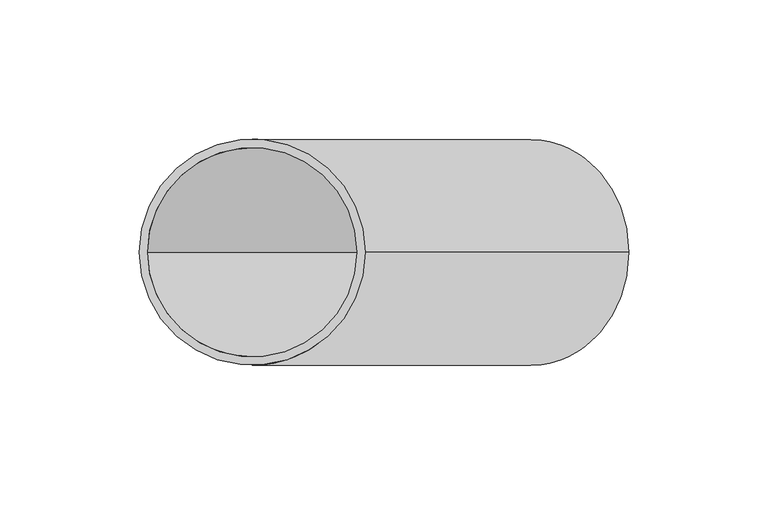
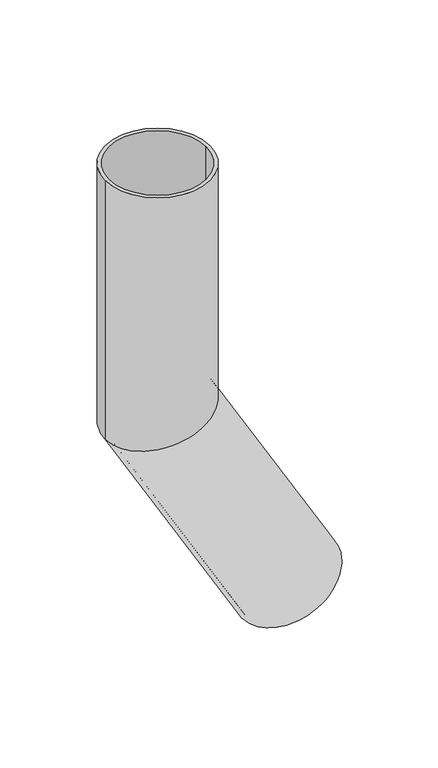
"""IFC4 building model written with IfcOpenShell, lengths in millimetres: beam geometry."""

from ifc_helpers import new_model, si_unit, frame, origin, place, context, project, spatial, polyline, circle_curve, ellipse_curve, source, transform, mapped, element, save
from ifc_brep_helpers import plane_surface, cylinder_surface, revolved_surface, advanced_brep


def beam_ef1a224b(model_context):
    return source(origin(), model_context, "Body", "AdvancedBrep", [
        advanced_brep(
        [(135.0740289, 0.0, -352.9550808), (64.9259711, 0.0, -393.4550808), (132.4759526, 0.0, -354.4550808), (67.5240474, 0.0, -391.9550808), (40.5, 0.0, 0.0), (-40.5, 0.0, 0.0), (37.5, 0.0, 0.0), (-37.5, 0.0, 0.0), (37.5, 0.0, -189.9519053), (0.0, -37.5, -200.0), (-37.5, 0.0, -210.0480947), (0.0, 37.5, -200.0), (40.5, 0.0, -189.1480577), (-40.5, 0.0, -210.8519423)],
        [
            (0, 1, circle_curve(frame((100.0, 0.0, -373.2050808), z_axis=(0.5000000000000633, 0.0, -0.8660254037844022), x_axis=(-0.8660254037844022, 0.0, -0.5000000000000633)), 40.5)),
            (1, 0, circle_curve(frame((100.0, 0.0, -373.2050808), z_axis=(0.5000000000000633, 0.0, -0.8660254037844022), x_axis=(-0.8660254037844022, 0.0, -0.5000000000000633)), 40.5)),
            (2, 3, circle_curve(frame((100.0, 0.0, -373.2050808), z_axis=(-0.5000000000000633, 0.0, 0.8660254037844022), x_axis=(-0.8660254037844022, 0.0, -0.5000000000000633)), 37.5)),
            (3, 2, circle_curve(frame((100.0, 0.0, -373.2050808), z_axis=(-0.5000000000000633, 0.0, 0.8660254037844022), x_axis=(-0.8660254037844022, 0.0, -0.5000000000000633)), 37.5)),
            (4, 5, circle_curve(frame((0.0, 0.0, 0.0), z_axis=(0.0, 0.0, 1.0), x_axis=(-1.0, 0.0, 0.0)), 40.5)),
            (5, 4, circle_curve(frame((0.0, 0.0, 0.0), z_axis=(0.0, 0.0, 1.0), x_axis=(-1.0, 0.0, 0.0)), 40.5)),
            (6, 7, circle_curve(frame((0.0, 0.0, 0.0), z_axis=(0.0, 0.0, -1.0), x_axis=(-1.0, 0.0, 0.0)), 37.5)),
            (7, 6, circle_curve(frame((0.0, 0.0, 0.0), z_axis=(0.0, 0.0, -1.0), x_axis=(-1.0, 0.0, 0.0)), 37.5)),
            (6, 8),
            (8, 9, ellipse_curve(frame((0.0, 0.0, -200.0), z_axis=(0.25881904510255604, 0.0, -0.9659258262890589), x_axis=(0.9659258262890589, 0.0, 0.25881904510255593)), 38.8228568, 37.5)),
            (9, 10, ellipse_curve(frame((0.0, 0.0, -200.0), z_axis=(0.25881904510255604, 0.0, -0.9659258262890589), x_axis=(0.9659258262890589, 0.0, 0.25881904510255593)), 38.8228568, 37.5)),
            (10, 7),
            (10, 11, ellipse_curve(frame((0.0, 0.0, -200.0), z_axis=(0.25881904510255604, 0.0, -0.9659258262890589), x_axis=(0.9659258262890589, 0.0, 0.25881904510255593)), 38.8228568, 37.5)),
            (11, 8, ellipse_curve(frame((0.0, 0.0, -200.0), z_axis=(0.25881904510255604, 0.0, -0.9659258262890589), x_axis=(0.9659258262890589, 0.0, 0.25881904510255593)), 38.8228568, 37.5)),
            (4, 12),
            (12, 13, ellipse_curve(frame((0.0, 0.0, -200.0), z_axis=(-0.25881904510255604, 0.0, 0.9659258262890589), x_axis=(-0.9659258262890589, 0.0, -0.25881904510255593)), 41.9286853, 40.5)),
            (13, 5),
            (13, 12, ellipse_curve(frame((0.0, 0.0, -200.0), z_axis=(-0.25881904510255604, 0.0, 0.9659258262890589), x_axis=(-0.9659258262890589, 0.0, -0.25881904510255593)), 41.9286853, 40.5)),
            (2, 8),
            (10, 3),
            (0, 12),
            (13, 1),
        ],
        [
            plane_surface(frame((100.0, 0.0, -373.2050808), z_axis=(0.5000000000000633, 0.0, -0.8660254037844022), x_axis=(0.0, -1.0, 0.0))),
            plane_surface(frame((0.0, 0.0, 0.0), z_axis=(0.0, 0.0, 1.0), x_axis=(0.0, -1.0, 0.0))),
            revolved_surface(polyline([(-37.5, 0.0, 0.0), (-37.5, 0.0, -210.04809472512926)]), (0.0, 0.0, -200.0), (0.0, 0.0, 1.0)),
            cylinder_surface(frame((0.0, 0.0, -200.0), z_axis=(0.0, 0.0, -1.0), x_axis=(-1.0, 0.0, 0.0)), 40.5),
            revolved_surface(polyline([(-37.50000002568203, 0.0, -210.04809471482753), (67.52404736856266, 0.0, -391.9550808181504)]), (100.0, 0.0, -373.2050808), (-0.5000000000000633, 0.0, 0.8660254037844022)),
            cylinder_surface(frame((100.0, 0.0, -373.2050808), z_axis=(0.5000000000000633, 0.0, -0.8660254037844022), x_axis=(-0.8660254037844022, 0.0, -0.5000000000000633)), 40.5),
        ],
        [
            (0, [[1, 2], [3, 4]]),
            (1, [[5, 6], [7, 8]]),
            (2, [[-7, 9, 10, 11, 12]]),
            (2, [[-8, -12, 13, 14, -9]]),
            (3, [[-5, 15, 16, 17]]),
            (3, [[-6, -17, 18, -15]]),
            (4, [[-3, 19, -14, -13, 20]]),
            (4, [[-4, -20, -11, -10, -19]]),
            (5, [[-1, 21, -18, 22]]),
            (5, [[-2, -22, -16, -21]]),
        ],
    ),
    ])


if __name__ == "__main__":
    model = new_model("IFC4")
    model_context = context("Model", 3, world=origin())
    ifc_project = project(units=[si_unit("LENGTHUNIT", "METRE", prefix="MILLI")], contexts=[model_context])
    site = spatial("IfcSite", under=ifc_project)
    building = spatial("IfcBuilding", under=site)
    placement = place(None, origin())
    beam_shape = beam_ef1a224b(model_context)
    element("IfcBeam", 1, at=placement, inside=building, context=model_context, shape_type="MappedRepresentation", body=[
        mapped(beam_shape, transform((0.0, 0.0, 0.0), x_axis=(1.0, 0.0, 0.0), y_axis=(0.0, 1.0, 0.0), z_axis=(0.0, 0.0, 1.0))),
    ])
    save(model, "model.ifc")
